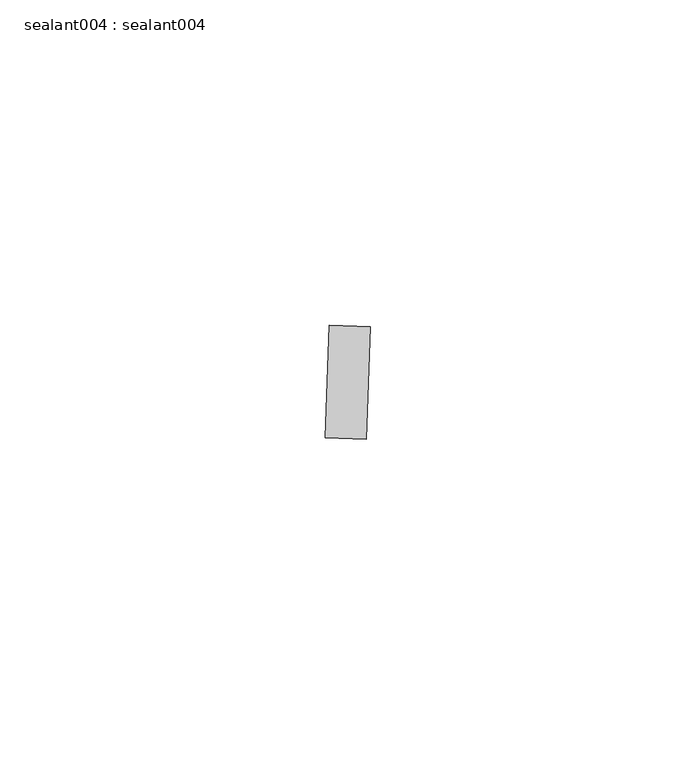
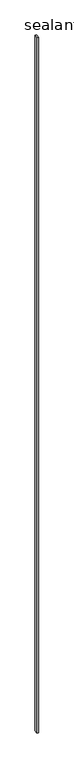
"""IFC4 building model written with IfcOpenShell, lengths in millimetres: proxy geometry, sealant004 : sealant004."""

from ifc_helpers import new_model, si_unit, frame, origin, place, context, project, spatial, polyline, outline, extrude, source, transform, mapped, element, save


def sealant004_sealant004_aacc873f(model_context):
    return source(origin(), model_context, "Body", "SweptSolid", [
        extrude(outline(polyline([(17997.241472, -14665.4865464), (17997.8502982, -14648.162822), (18004.18629, -14648.3854945), (18003.5774639, -14665.709219), (17997.241472, -14665.4865464)])), frame((0.0, 0.0, 73.975708), z_axis=(0.0, 0.0, 1.0), x_axis=(1.0, 0.0, 0.0)), (0.0, 0.0, 1.0), 2959.11),
    ])


if __name__ == "__main__":
    model = new_model("IFC4")
    model_context = context("Model", 3, world=origin())
    ifc_project = project(units=[si_unit("LENGTHUNIT", "METRE", prefix="MILLI")], contexts=[model_context])
    site = spatial("IfcSite", under=ifc_project)
    building = spatial("IfcBuilding", under=site)
    placement = place(None, origin())
    sealant004_sealant004_shape = sealant004_sealant004_aacc873f(model_context)
    element("IfcBuildingElementProxy", 1, Name="sealant004 : sealant004", ObjectType="sealant004 : sealant004", at=placement, inside=building, context=model_context, shape_type="MappedRepresentation", body=[
        mapped(sealant004_sealant004_shape, transform((0.0, 0.0, 0.0), x_axis=(1.0, 0.0, 0.0), y_axis=(0.0, 1.0, 0.0), z_axis=(0.0, 0.0, 1.0))),
    ])
    save(model, "model.ifc")
